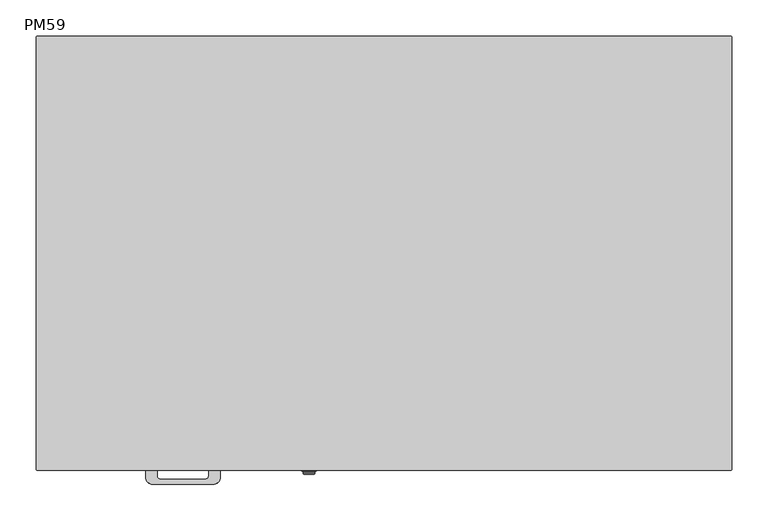
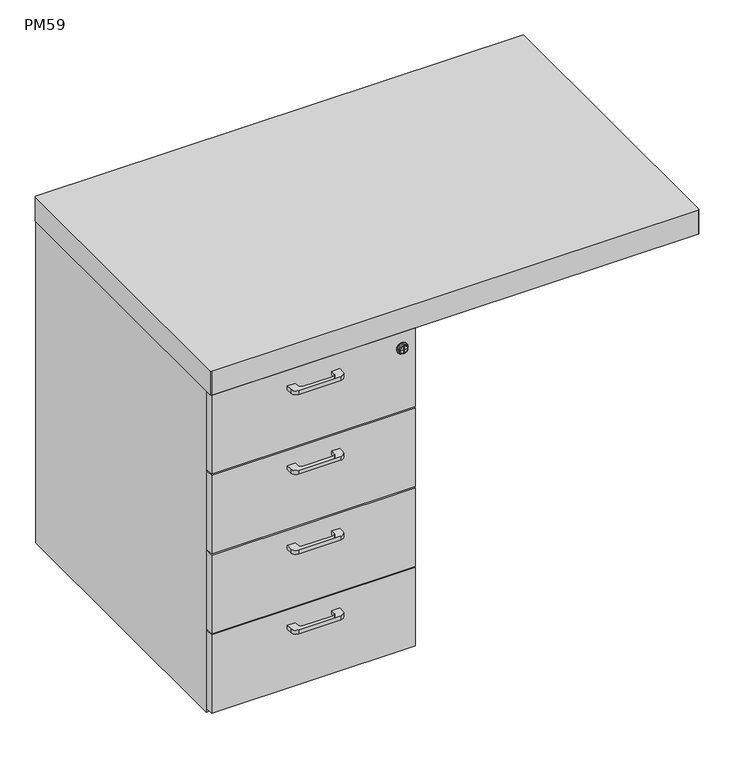
"""IFC4 building model written with IfcOpenShell, lengths in millimetres: furniture geometry, PM59."""

from ifc_helpers import new_model, si_unit, point, frame, frame_2d, origin, place, context, project, spatial, polyline, circle_curve, ellipse_curve, trimmed, segment, composite_curve, outline, extrude, source, transform, mapped, element, save
from ifc_brep_helpers import plane_surface, cylinder_surface, revolved_surface, advanced_brep


def pm59_2cdb2fe1(model_context):
    return source(origin(), model_context, "Body", "SolidModel", [
        advanced_brep(
        [(-128.0, 247.0, 1.0), (-98.0, 247.0, 1.0), (-99.0, 247.0, 0.0), (-127.0, 247.0, 0.0), (-128.0, 247.0, 2.0), (-98.0, 247.0, 2.0), (-129.9260237, 247.0, 2.0), (-96.0739763, 247.0, 2.0), (-130.9234824, 247.0, 3.071247), (-95.0765176, 247.0, 3.071247), (-130.5, 247.0, 9.0), (-95.5, 247.0, 9.0), (-113.0, 247.0, 9.0), (-113.0, 247.0, 0.0)],
        [
            (0, 1, circle_curve(frame((-113.0, 247.0, 1.0), z_axis=(0.0, 0.0, -1.0), x_axis=(1.0, 0.0, 0.0)), 15.0)),
            (1, 2, circle_curve(frame((-99.0, 247.0, 1.0), z_axis=(0.0, 1.0, 0.0), x_axis=(1.0, 0.0, 0.0)), 1.0)),
            (2, 3, circle_curve(frame((-113.0, 247.0, 0.0), z_axis=(0.0, 0.0, 1.0), x_axis=(1.0, 0.0, 0.0)), 14.0)),
            (3, 0, circle_curve(frame((-127.0, 247.0, 1.0), z_axis=(0.0, 1.0, 0.0), x_axis=(-1.0, 0.0, 0.0)), 1.0)),
            (1, 0, circle_curve(frame((-113.0, 247.0, 1.0), z_axis=(0.0, 0.0, -1.0), x_axis=(1.0, 0.0, 0.0)), 15.0)),
            (3, 2, circle_curve(frame((-113.0, 247.0, 0.0), z_axis=(0.0, 0.0, 1.0), x_axis=(1.0, 0.0, 0.0)), 14.0)),
            (4, 5, circle_curve(frame((-113.0, 247.0, 2.0), z_axis=(0.0, 0.0, -1.0), x_axis=(1.0, 0.0, 0.0)), 15.0)),
            (5, 1),
            (0, 4),
            (5, 4, circle_curve(frame((-113.0, 247.0, 2.0), z_axis=(0.0, 0.0, -1.0), x_axis=(1.0, 0.0, 0.0)), 15.0)),
            (6, 7, circle_curve(frame((-113.0, 247.0, 2.0), z_axis=(0.0, 0.0, -1.0), x_axis=(1.0, 0.0, 0.0)), 16.9260237)),
            (7, 5),
            (4, 6),
            (7, 6, circle_curve(frame((-113.0, 247.0, 2.0), z_axis=(0.0, 0.0, -1.0), x_axis=(1.0, 0.0, 0.0)), 16.9260237)),
            (8, 9, circle_curve(frame((-113.0, 247.0, 3.071247), z_axis=(0.0, 0.0, -1.0), x_axis=(1.0, 0.0, 0.0)), 17.9234824)),
            (9, 7, circle_curve(frame((-96.0739763, 247.0, 3.0), z_axis=(0.0, 1.0, 0.0), x_axis=(1.0, 0.0, 0.0)), 1.0)),
            (6, 8, circle_curve(frame((-129.9260237, 247.0, 3.0), z_axis=(0.0, 1.0, 0.0), x_axis=(-1.0, 0.0, 0.0)), 1.0)),
            (9, 8, circle_curve(frame((-113.0, 247.0, 3.071247), z_axis=(0.0, 0.0, -1.0), x_axis=(1.0, 0.0, 0.0)), 17.9234824)),
            (10, 11, circle_curve(frame((-113.0, 247.0, 9.0), z_axis=(0.0, 0.0, -1.0), x_axis=(1.0, 0.0, 0.0)), 17.5)),
            (11, 9),
            (8, 10),
            (11, 10, circle_curve(frame((-113.0, 247.0, 9.0), z_axis=(0.0, 0.0, -1.0), x_axis=(1.0, 0.0, 0.0)), 17.5)),
            (12, 11),
            (10, 12),
            (2, 13),
            (13, 3),
        ],
        [
            revolved_surface(trimmed(ellipse_curve(frame((-99.0, 247.0, 1.0), z_axis=(0.0, -1.0, 0.0), x_axis=(1.0, 0.0, 0.0)), 1.0, 1.0), [point((-99.0, 247.0, 0.0))], [point((-98.0, 247.0, 1.0))], True, "CARTESIAN"), (-113.0, 247.0, 14.0), (0.0, 0.0, 1.0)),
            cylinder_surface(frame((-113.0, 247.0, 14.0), z_axis=(0.0, 0.0, 1.0), x_axis=(1.0, 0.0, 0.0)), 15.0),
            plane_surface(frame((-113.0, 247.0, 2.0), z_axis=(0.0, 0.0, -1.0), x_axis=(1.0, 0.0, 0.0))),
            revolved_surface(trimmed(ellipse_curve(frame((-96.0739763, 247.0, 3.0), z_axis=(0.0, -1.0, 0.0), x_axis=(1.0, 0.0, 0.0)), 1.0, 1.0), [point((-96.0739763, 247.0, 2.0))], [point((-95.0765176, 247.0, 3.071247))], True, "CARTESIAN"), (-113.0, 247.0, 14.0), (0.0, 0.0, 1.0)),
            revolved_surface(polyline([(-95.0765176, 247.0, 3.071247), (-95.5, 247.0, 9.0)]), (-113.0, 247.0, 14.0), (0.0, 0.0, 1.0)),
            plane_surface(frame((-113.0, 247.0, 9.0), z_axis=(0.0, 0.0, 1.0), x_axis=(1.0, 0.0, 0.0))),
            plane_surface(frame((-113.0, 247.0, 0.0), z_axis=(0.0, 0.0, -1.0), x_axis=(1.0, 0.0, 0.0))),
        ],
        [
            (0, [[1, 2, 3, 4]]),
            (0, [[5, -4, 6, -2]]),
            (1, [[7, 8, -1, 9]]),
            (1, [[10, -9, -5, -8]]),
            (2, [[11, 12, -7, 13]]),
            (2, [[14, -13, -10, -12]]),
            (3, [[15, 16, -11, 17]]),
            (3, [[18, -17, -14, -16]]),
            (4, [[19, 20, -15, 21]]),
            (4, [[22, -21, -18, -20]]),
            (5, [[23, -19, 24]]),
            (5, [[-24, -22, -23]]),
            (6, [[-3, 25, 26]]),
            (6, [[-6, -26, -25]]),
        ],
    ),
        extrude(outline(composite_curve([segment(trimmed(circle_curve(frame_2d((-97.0, 263.0)), 1.5), [point((-97.0, 264.5))], [point((-95.5, 263.0))], False, "CARTESIAN"), True, "CONTINUOUS"), segment(polyline([(-95.5, 263.0), (-95.5, 231.0)]), True, "CONTINUOUS"), segment(trimmed(circle_curve(frame_2d((-97.0, 231.0)), 1.5), [point((-95.5, 231.0))], [point((-97.0, 229.5))], False, "CARTESIAN"), True, "CONTINUOUS"), segment(polyline([(-97.0, 229.5), (-129.0, 229.5)]), True, "CONTINUOUS"), segment(trimmed(circle_curve(frame_2d((-129.0, 231.0)), 1.5), [point((-129.0, 229.5))], [point((-130.5, 231.0))], False, "CARTESIAN"), True, "CONTINUOUS"), segment(polyline([(-130.5, 231.0), (-130.5, 263.0)]), True, "CONTINUOUS"), segment(trimmed(circle_curve(frame_2d((-129.0, 263.0)), 1.5), [point((-130.5, 263.0))], [point((-129.0, 264.5))], False, "CARTESIAN"), True, "CONTINUOUS"), segment(polyline([(-129.0, 264.5), (-97.0, 264.5)]), True, "CONTINUOUS")], self_intersect=False)), frame((0.0, 0.0, 9.0), z_axis=(0.0, 0.0, 1.0), x_axis=(1.0, 0.0, 0.0)), (0.0, 0.0, 1.0), 11.0),
        advanced_brep(
        [(-458.0, 247.0, 1.0), (-428.0, 247.0, 1.0), (-429.0, 247.0, 0.0), (-457.0, 247.0, 0.0), (-458.0, 247.0, 2.0), (-428.0, 247.0, 2.0), (-459.9260237, 247.0, 2.0), (-426.0739763, 247.0, 2.0), (-460.9234824, 247.0, 3.071247), (-425.0765176, 247.0, 3.071247), (-460.5, 247.0, 9.0), (-425.5, 247.0, 9.0), (-443.0, 247.0, 9.0), (-443.0, 247.0, 0.0)],
        [
            (0, 1, circle_curve(frame((-443.0, 247.0, 1.0), z_axis=(0.0, 0.0, -1.0), x_axis=(1.0, 0.0, 0.0)), 15.0)),
            (1, 2, circle_curve(frame((-429.0, 247.0, 1.0), z_axis=(0.0, 1.0, 0.0), x_axis=(1.0, 0.0, 0.0)), 1.0)),
            (2, 3, circle_curve(frame((-443.0, 247.0, 0.0), z_axis=(0.0, 0.0, 1.0), x_axis=(1.0, 0.0, 0.0)), 14.0)),
            (3, 0, circle_curve(frame((-457.0, 247.0, 1.0), z_axis=(0.0, 1.0, 0.0), x_axis=(-1.0, 0.0, 0.0)), 1.0)),
            (1, 0, circle_curve(frame((-443.0, 247.0, 1.0), z_axis=(0.0, 0.0, -1.0), x_axis=(1.0, 0.0, 0.0)), 15.0)),
            (3, 2, circle_curve(frame((-443.0, 247.0, 0.0), z_axis=(0.0, 0.0, 1.0), x_axis=(1.0, 0.0, 0.0)), 14.0)),
            (4, 5, circle_curve(frame((-443.0, 247.0, 2.0), z_axis=(0.0, 0.0, -1.0), x_axis=(1.0, 0.0, 0.0)), 15.0)),
            (5, 1),
            (0, 4),
            (5, 4, circle_curve(frame((-443.0, 247.0, 2.0), z_axis=(0.0, 0.0, -1.0), x_axis=(1.0, 0.0, 0.0)), 15.0)),
            (6, 7, circle_curve(frame((-443.0, 247.0, 2.0), z_axis=(0.0, 0.0, -1.0), x_axis=(1.0, 0.0, 0.0)), 16.9260237)),
            (7, 5),
            (4, 6),
            (7, 6, circle_curve(frame((-443.0, 247.0, 2.0), z_axis=(0.0, 0.0, -1.0), x_axis=(1.0, 0.0, 0.0)), 16.9260237)),
            (8, 9, circle_curve(frame((-443.0, 247.0, 3.071247), z_axis=(0.0, 0.0, -1.0), x_axis=(1.0, 0.0, 0.0)), 17.9234824)),
            (9, 7, circle_curve(frame((-426.0739763, 247.0, 3.0), z_axis=(0.0, 1.0, 0.0), x_axis=(1.0, 0.0, 0.0)), 1.0)),
            (6, 8, circle_curve(frame((-459.9260237, 247.0, 3.0), z_axis=(0.0, 1.0, 0.0), x_axis=(-1.0, 0.0, 0.0)), 1.0)),
            (9, 8, circle_curve(frame((-443.0, 247.0, 3.071247), z_axis=(0.0, 0.0, -1.0), x_axis=(1.0, 0.0, 0.0)), 17.9234824)),
            (10, 11, circle_curve(frame((-443.0, 247.0, 9.0), z_axis=(0.0, 0.0, -1.0), x_axis=(1.0, 0.0, 0.0)), 17.5)),
            (11, 9),
            (8, 10),
            (11, 10, circle_curve(frame((-443.0, 247.0, 9.0), z_axis=(0.0, 0.0, -1.0), x_axis=(1.0, 0.0, 0.0)), 17.5)),
            (12, 11),
            (10, 12),
            (2, 13),
            (13, 3),
        ],
        [
            revolved_surface(trimmed(ellipse_curve(frame((-429.0, 247.0, 1.0), z_axis=(0.0, -1.0, 0.0), x_axis=(1.0, 0.0, 0.0)), 1.0, 1.0), [point((-429.0, 247.0, 0.0))], [point((-428.0, 247.0, 1.0))], True, "CARTESIAN"), (-443.0, 247.0, 14.0), (0.0, 0.0, 1.0)),
            cylinder_surface(frame((-443.0, 247.0, 14.0), z_axis=(0.0, 0.0, 1.0), x_axis=(1.0, 0.0, 0.0)), 15.0),
            plane_surface(frame((-443.0, 247.0, 2.0), z_axis=(0.0, 0.0, -1.0), x_axis=(1.0, 0.0, 0.0))),
            revolved_surface(trimmed(ellipse_curve(frame((-426.0739763, 247.0, 3.0), z_axis=(0.0, -1.0, 0.0), x_axis=(1.0, 0.0, 0.0)), 1.0, 1.0), [point((-426.0739763, 247.0, 2.0))], [point((-425.0765176, 247.0, 3.071247))], True, "CARTESIAN"), (-443.0, 247.0, 14.0), (0.0, 0.0, 1.0)),
            revolved_surface(polyline([(-425.0765176, 247.0, 3.071247), (-425.5, 247.0, 9.0)]), (-443.0, 247.0, 14.0), (0.0, 0.0, 1.0)),
            plane_surface(frame((-443.0, 247.0, 9.0), z_axis=(0.0, 0.0, 1.0), x_axis=(1.0, 0.0, 0.0))),
            plane_surface(frame((-443.0, 247.0, 0.0), z_axis=(0.0, 0.0, -1.0), x_axis=(1.0, 0.0, 0.0))),
        ],
        [
            (0, [[1, 2, 3, 4]]),
            (0, [[5, -4, 6, -2]]),
            (1, [[7, 8, -1, 9]]),
            (1, [[10, -9, -5, -8]]),
            (2, [[11, 12, -7, 13]]),
            (2, [[14, -13, -10, -12]]),
            (3, [[15, 16, -11, 17]]),
            (3, [[18, -17, -14, -16]]),
            (4, [[19, 20, -15, 21]]),
            (4, [[22, -21, -18, -20]]),
            (5, [[23, -19, 24]]),
            (5, [[-24, -22, -23]]),
            (6, [[-3, 25, 26]]),
            (6, [[-6, -26, -25]]),
        ],
    ),
        extrude(outline(composite_curve([segment(trimmed(circle_curve(frame_2d((-427.0, 263.0)), 1.5), [point((-427.0, 264.5))], [point((-425.5, 263.0))], False, "CARTESIAN"), True, "CONTINUOUS"), segment(polyline([(-425.5, 263.0), (-425.5, 231.0)]), True, "CONTINUOUS"), segment(trimmed(circle_curve(frame_2d((-427.0, 231.0)), 1.5), [point((-425.5, 231.0))], [point((-427.0, 229.5))], False, "CARTESIAN"), True, "CONTINUOUS"), segment(polyline([(-427.0, 229.5), (-459.0, 229.5)]), True, "CONTINUOUS"), segment(trimmed(circle_curve(frame_2d((-459.0, 231.0)), 1.5), [point((-459.0, 229.5))], [point((-460.5, 231.0))], False, "CARTESIAN"), True, "CONTINUOUS"), segment(polyline([(-460.5, 231.0), (-460.5, 263.0)]), True, "CONTINUOUS"), segment(trimmed(circle_curve(frame_2d((-459.0, 263.0)), 1.5), [point((-460.5, 263.0))], [point((-459.0, 264.5))], False, "CARTESIAN"), True, "CONTINUOUS"), segment(polyline([(-459.0, 264.5), (-427.0, 264.5)]), True, "CONTINUOUS")], self_intersect=False)), frame((0.0, 0.0, 9.0), z_axis=(0.0, 0.0, 1.0), x_axis=(1.0, 0.0, 0.0)), (0.0, 0.0, 1.0), 11.0),
        advanced_brep(
        [(-128.0, -235.0, 1.0), (-98.0, -235.0, 1.0), (-99.0, -235.0, 0.0), (-127.0, -235.0, 0.0), (-128.0, -235.0, 2.0), (-98.0, -235.0, 2.0), (-129.9260237, -235.0, 2.0), (-96.0739763, -235.0, 2.0), (-130.9234824, -235.0, 3.071247), (-95.0765176, -235.0, 3.071247), (-130.5, -235.0, 9.0), (-95.5, -235.0, 9.0), (-113.0, -235.0, 9.0), (-113.0, -235.0, 0.0)],
        [
            (0, 1, circle_curve(frame((-113.0, -235.0, 1.0), z_axis=(0.0, 0.0, -1.0), x_axis=(1.0, 0.0, 0.0)), 15.0)),
            (1, 2, circle_curve(frame((-99.0, -235.0, 1.0), z_axis=(0.0, 1.0, 0.0), x_axis=(1.0, 0.0, 0.0)), 1.0)),
            (2, 3, circle_curve(frame((-113.0, -235.0, 0.0), z_axis=(0.0, 0.0, 1.0), x_axis=(1.0, 0.0, 0.0)), 14.0)),
            (3, 0, circle_curve(frame((-127.0, -235.0, 1.0), z_axis=(0.0, 1.0, 0.0), x_axis=(-1.0, 0.0, 0.0)), 1.0)),
            (1, 0, circle_curve(frame((-113.0, -235.0, 1.0), z_axis=(0.0, 0.0, -1.0), x_axis=(1.0, 0.0, 0.0)), 15.0)),
            (3, 2, circle_curve(frame((-113.0, -235.0, 0.0), z_axis=(0.0, 0.0, 1.0), x_axis=(1.0, 0.0, 0.0)), 14.0)),
            (4, 5, circle_curve(frame((-113.0, -235.0, 2.0), z_axis=(0.0, 0.0, -1.0), x_axis=(1.0, 0.0, 0.0)), 15.0)),
            (5, 1),
            (0, 4),
            (5, 4, circle_curve(frame((-113.0, -235.0, 2.0), z_axis=(0.0, 0.0, -1.0), x_axis=(1.0, 0.0, 0.0)), 15.0)),
            (6, 7, circle_curve(frame((-113.0, -235.0, 2.0), z_axis=(0.0, 0.0, -1.0), x_axis=(1.0, 0.0, 0.0)), 16.9260237)),
            (7, 5),
            (4, 6),
            (7, 6, circle_curve(frame((-113.0, -235.0, 2.0), z_axis=(0.0, 0.0, -1.0), x_axis=(1.0, 0.0, 0.0)), 16.9260237)),
            (8, 9, circle_curve(frame((-113.0, -235.0, 3.071247), z_axis=(0.0, 0.0, -1.0), x_axis=(1.0, 0.0, 0.0)), 17.9234824)),
            (9, 7, circle_curve(frame((-96.0739763, -235.0, 3.0), z_axis=(0.0, 1.0, 0.0), x_axis=(1.0, 0.0, 0.0)), 1.0)),
            (6, 8, circle_curve(frame((-129.9260237, -235.0, 3.0), z_axis=(0.0, 1.0, 0.0), x_axis=(-1.0, 0.0, 0.0)), 1.0)),
            (9, 8, circle_curve(frame((-113.0, -235.0, 3.071247), z_axis=(0.0, 0.0, -1.0), x_axis=(1.0, 0.0, 0.0)), 17.9234824)),
            (10, 11, circle_curve(frame((-113.0, -235.0, 9.0), z_axis=(0.0, 0.0, -1.0), x_axis=(1.0, 0.0, 0.0)), 17.5)),
            (11, 9),
            (8, 10),
            (11, 10, circle_curve(frame((-113.0, -235.0, 9.0), z_axis=(0.0, 0.0, -1.0), x_axis=(1.0, 0.0, 0.0)), 17.5)),
            (12, 11),
            (10, 12),
            (2, 13),
            (13, 3),
        ],
        [
            revolved_surface(trimmed(ellipse_curve(frame((-99.0, -235.0, 1.0), z_axis=(0.0, -1.0, 0.0), x_axis=(1.0, 0.0, 0.0)), 1.0, 1.0), [point((-99.0, -235.0, 0.0))], [point((-98.0, -235.0, 1.0))], True, "CARTESIAN"), (-113.0, -235.0, 14.0), (0.0, 0.0, 1.0)),
            cylinder_surface(frame((-113.0, -235.0, 14.0), z_axis=(0.0, 0.0, 1.0), x_axis=(1.0, 0.0, 0.0)), 15.0),
            plane_surface(frame((-113.0, -235.0, 2.0), z_axis=(0.0, 0.0, -1.0), x_axis=(1.0, 0.0, 0.0))),
            revolved_surface(trimmed(ellipse_curve(frame((-96.0739763, -235.0, 3.0), z_axis=(0.0, -1.0, 0.0), x_axis=(1.0, 0.0, 0.0)), 1.0, 1.0), [point((-96.0739763, -235.0, 2.0))], [point((-95.0765176, -235.0, 3.071247))], True, "CARTESIAN"), (-113.0, -235.0, 14.0), (0.0, 0.0, 1.0)),
            revolved_surface(polyline([(-95.0765176, -235.0, 3.071247), (-95.5, -235.0, 9.0)]), (-113.0, -235.0, 14.0), (0.0, 0.0, 1.0)),
            plane_surface(frame((-113.0, -235.0, 9.0), z_axis=(0.0, 0.0, 1.0), x_axis=(1.0, 0.0, 0.0))),
            plane_surface(frame((-113.0, -235.0, 0.0), z_axis=(0.0, 0.0, -1.0), x_axis=(1.0, 0.0, 0.0))),
        ],
        [
            (0, [[1, 2, 3, 4]]),
            (0, [[5, -4, 6, -2]]),
            (1, [[7, 8, -1, 9]]),
            (1, [[10, -9, -5, -8]]),
            (2, [[11, 12, -7, 13]]),
            (2, [[14, -13, -10, -12]]),
            (3, [[15, 16, -11, 17]]),
            (3, [[18, -17, -14, -16]]),
            (4, [[19, 20, -15, 21]]),
            (4, [[22, -21, -18, -20]]),
            (5, [[23, -19, 24]]),
            (5, [[-24, -22, -23]]),
            (6, [[-3, 25, 26]]),
            (6, [[-6, -26, -25]]),
        ],
    ),
        extrude(outline(composite_curve([segment(trimmed(circle_curve(frame_2d((-97.0, -219.0)), 1.5), [point((-97.0, -217.5))], [point((-95.5, -219.0))], False, "CARTESIAN"), True, "CONTINUOUS"), segment(polyline([(-95.5, -219.0), (-95.5, -251.0)]), True, "CONTINUOUS"), segment(trimmed(circle_curve(frame_2d((-97.0, -251.0)), 1.5), [point((-95.5, -251.0))], [point((-97.0, -252.5))], False, "CARTESIAN"), True, "CONTINUOUS"), segment(polyline([(-97.0, -252.5), (-129.0, -252.5)]), True, "CONTINUOUS"), segment(trimmed(circle_curve(frame_2d((-129.0, -251.0)), 1.5), [point((-129.0, -252.5))], [point((-130.5, -251.0))], False, "CARTESIAN"), True, "CONTINUOUS"), segment(polyline([(-130.5, -251.0), (-130.5, -219.0)]), True, "CONTINUOUS"), segment(trimmed(circle_curve(frame_2d((-129.0, -219.0)), 1.5), [point((-130.5, -219.0))], [point((-129.0, -217.5))], False, "CARTESIAN"), True, "CONTINUOUS"), segment(polyline([(-129.0, -217.5), (-97.0, -217.5)]), True, "CONTINUOUS")], self_intersect=False)), frame((0.0, 0.0, 9.0), z_axis=(0.0, 0.0, 1.0), x_axis=(1.0, 0.0, 0.0)), (0.0, 0.0, 1.0), 11.0),
        advanced_brep(
        [(-458.0, -235.0, 1.0), (-428.0, -235.0, 1.0), (-429.0, -235.0, 0.0), (-457.0, -235.0, 0.0), (-458.0, -235.0, 2.0), (-428.0, -235.0, 2.0), (-459.9260237, -235.0, 2.0), (-426.0739763, -235.0, 2.0), (-460.9234824, -235.0, 3.071247), (-425.0765176, -235.0, 3.071247), (-460.5, -235.0, 9.0), (-425.5, -235.0, 9.0), (-443.0, -235.0, 9.0), (-443.0, -235.0, 0.0)],
        [
            (0, 1, circle_curve(frame((-443.0, -235.0, 1.0), z_axis=(0.0, 0.0, -1.0), x_axis=(1.0, 0.0, 0.0)), 15.0)),
            (1, 2, circle_curve(frame((-429.0, -235.0, 1.0), z_axis=(0.0, 1.0, 0.0), x_axis=(1.0, 0.0, 0.0)), 1.0)),
            (2, 3, circle_curve(frame((-443.0, -235.0, 0.0), z_axis=(0.0, 0.0, 1.0), x_axis=(1.0, 0.0, 0.0)), 14.0)),
            (3, 0, circle_curve(frame((-457.0, -235.0, 1.0), z_axis=(0.0, 1.0, 0.0), x_axis=(-1.0, 0.0, 0.0)), 1.0)),
            (1, 0, circle_curve(frame((-443.0, -235.0, 1.0), z_axis=(0.0, 0.0, -1.0), x_axis=(1.0, 0.0, 0.0)), 15.0)),
            (3, 2, circle_curve(frame((-443.0, -235.0, 0.0), z_axis=(0.0, 0.0, 1.0), x_axis=(1.0, 0.0, 0.0)), 14.0)),
            (4, 5, circle_curve(frame((-443.0, -235.0, 2.0), z_axis=(0.0, 0.0, -1.0), x_axis=(1.0, 0.0, 0.0)), 15.0)),
            (5, 1),
            (0, 4),
            (5, 4, circle_curve(frame((-443.0, -235.0, 2.0), z_axis=(0.0, 0.0, -1.0), x_axis=(1.0, 0.0, 0.0)), 15.0)),
            (6, 7, circle_curve(frame((-443.0, -235.0, 2.0), z_axis=(0.0, 0.0, -1.0), x_axis=(1.0, 0.0, 0.0)), 16.9260237)),
            (7, 5),
            (4, 6),
            (7, 6, circle_curve(frame((-443.0, -235.0, 2.0), z_axis=(0.0, 0.0, -1.0), x_axis=(1.0, 0.0, 0.0)), 16.9260237)),
            (8, 9, circle_curve(frame((-443.0, -235.0, 3.071247), z_axis=(0.0, 0.0, -1.0), x_axis=(1.0, 0.0, 0.0)), 17.9234824)),
            (9, 7, circle_curve(frame((-426.0739763, -235.0, 3.0), z_axis=(0.0, 1.0, 0.0), x_axis=(1.0, 0.0, 0.0)), 1.0)),
            (6, 8, circle_curve(frame((-459.9260237, -235.0, 3.0), z_axis=(0.0, 1.0, 0.0), x_axis=(-1.0, 0.0, 0.0)), 1.0)),
            (9, 8, circle_curve(frame((-443.0, -235.0, 3.071247), z_axis=(0.0, 0.0, -1.0), x_axis=(1.0, 0.0, 0.0)), 17.9234824)),
            (10, 11, circle_curve(frame((-443.0, -235.0, 9.0), z_axis=(0.0, 0.0, -1.0), x_axis=(1.0, 0.0, 0.0)), 17.5)),
            (11, 9),
            (8, 10),
            (11, 10, circle_curve(frame((-443.0, -235.0, 9.0), z_axis=(0.0, 0.0, -1.0), x_axis=(1.0, 0.0, 0.0)), 17.5)),
            (12, 11),
            (10, 12),
            (2, 13),
            (13, 3),
        ],
        [
            revolved_surface(trimmed(ellipse_curve(frame((-429.0, -235.0, 1.0), z_axis=(0.0, -1.0, 0.0), x_axis=(1.0, 0.0, 0.0)), 1.0, 1.0), [point((-429.0, -235.0, 0.0))], [point((-428.0, -235.0, 1.0))], True, "CARTESIAN"), (-443.0, -235.0, 14.0), (0.0, 0.0, 1.0)),
            cylinder_surface(frame((-443.0, -235.0, 14.0), z_axis=(0.0, 0.0, 1.0), x_axis=(1.0, 0.0, 0.0)), 15.0),
            plane_surface(frame((-443.0, -235.0, 2.0), z_axis=(0.0, 0.0, -1.0), x_axis=(1.0, 0.0, 0.0))),
            revolved_surface(trimmed(ellipse_curve(frame((-426.0739763, -235.0, 3.0), z_axis=(0.0, -1.0, 0.0), x_axis=(1.0, 0.0, 0.0)), 1.0, 1.0), [point((-426.0739763, -235.0, 2.0))], [point((-425.0765176, -235.0, 3.071247))], True, "CARTESIAN"), (-443.0, -235.0, 14.0), (0.0, 0.0, 1.0)),
            revolved_surface(polyline([(-425.0765176, -235.0, 3.071247), (-425.5, -235.0, 9.0)]), (-443.0, -235.0, 14.0), (0.0, 0.0, 1.0)),
            plane_surface(frame((-443.0, -235.0, 9.0), z_axis=(0.0, 0.0, 1.0), x_axis=(1.0, 0.0, 0.0))),
            plane_surface(frame((-443.0, -235.0, 0.0), z_axis=(0.0, 0.0, -1.0), x_axis=(1.0, 0.0, 0.0))),
        ],
        [
            (0, [[1, 2, 3, 4]]),
            (0, [[5, -4, 6, -2]]),
            (1, [[7, 8, -1, 9]]),
            (1, [[10, -9, -5, -8]]),
            (2, [[11, 12, -7, 13]]),
            (2, [[14, -13, -10, -12]]),
            (3, [[15, 16, -11, 17]]),
            (3, [[18, -17, -14, -16]]),
            (4, [[19, 20, -15, 21]]),
            (4, [[22, -21, -18, -20]]),
            (5, [[23, -19, 24]]),
            (5, [[-24, -22, -23]]),
            (6, [[-3, 25, 26]]),
            (6, [[-6, -26, -25]]),
        ],
    ),
        extrude(outline(composite_curve([segment(trimmed(circle_curve(frame_2d((-427.0, -219.0)), 1.5), [point((-427.0, -217.5))], [point((-425.5, -219.0))], False, "CARTESIAN"), True, "CONTINUOUS"), segment(polyline([(-425.5, -219.0), (-425.5, -251.0)]), True, "CONTINUOUS"), segment(trimmed(circle_curve(frame_2d((-427.0, -251.0)), 1.5), [point((-425.5, -251.0))], [point((-427.0, -252.5))], False, "CARTESIAN"), True, "CONTINUOUS"), segment(polyline([(-427.0, -252.5), (-459.0, -252.5)]), True, "CONTINUOUS"), segment(trimmed(circle_curve(frame_2d((-459.0, -251.0)), 1.5), [point((-459.0, -252.5))], [point((-460.5, -251.0))], False, "CARTESIAN"), True, "CONTINUOUS"), segment(polyline([(-460.5, -251.0), (-460.5, -219.0)]), True, "CONTINUOUS"), segment(trimmed(circle_curve(frame_2d((-459.0, -219.0)), 1.5), [point((-460.5, -219.0))], [point((-459.0, -217.5))], False, "CARTESIAN"), True, "CONTINUOUS"), segment(polyline([(-459.0, -217.5), (-427.0, -217.5)]), True, "CONTINUOUS")], self_intersect=False)), frame((0.0, 0.0, 9.0), z_axis=(0.0, 0.0, 1.0), x_axis=(1.0, 0.0, 0.0)), (0.0, 0.0, 1.0), 11.0),
        extrude(outline(composite_curve([segment(polyline([(-313.0, -298.0), (-313.0, -307.0)]), True, "CONTINUOUS"), segment(trimmed(circle_curve(frame_2d((-308.0, -307.0)), 5.0), [point((-313.0, -307.0))], [point((-308.0, -312.0))], True, "CARTESIAN"), True, "CONTINUOUS"), segment(polyline([(-308.0, -312.0), (-247.0, -312.0)]), True, "CONTINUOUS"), segment(trimmed(circle_curve(frame_2d((-247.0, -307.0)), 5.0), [point((-247.0, -312.0))], [point((-242.0, -307.0))], True, "CARTESIAN"), True, "CONTINUOUS"), segment(polyline([(-242.0, -307.0), (-242.0, -298.0), (-226.0, -298.0), (-226.0, -309.0)]), True, "CONTINUOUS"), segment(trimmed(circle_curve(frame_2d((-236.0, -309.0)), 10.0), [point((-226.0, -309.0))], [point((-236.0, -319.0))], False, "CARTESIAN"), True, "CONTINUOUS"), segment(polyline([(-236.0, -319.0), (-319.0, -319.0)]), True, "CONTINUOUS"), segment(trimmed(circle_curve(frame_2d((-319.0, -309.0)), 10.0), [point((-319.0, -319.0))], [point((-329.0, -309.0))], False, "CARTESIAN"), True, "CONTINUOUS"), segment(polyline([(-329.0, -309.0), (-329.0, -298.0), (-313.0, -298.0)]), True, "CONTINUOUS")], self_intersect=False)), frame((0.0, 0.0, 149.5), z_axis=(0.0, 0.0, 1.0), x_axis=(1.0, 0.0, 0.0)), (0.0, 0.0, 1.0), 8.0),
        extrude(outline(composite_curve([segment(polyline([(-313.0, -298.0), (-313.0, -307.0)]), True, "CONTINUOUS"), segment(trimmed(circle_curve(frame_2d((-308.0, -307.0)), 5.0), [point((-313.0, -307.0))], [point((-308.0, -312.0))], True, "CARTESIAN"), True, "CONTINUOUS"), segment(polyline([(-308.0, -312.0), (-247.0, -312.0)]), True, "CONTINUOUS"), segment(trimmed(circle_curve(frame_2d((-247.0, -307.0)), 5.0), [point((-247.0, -312.0))], [point((-242.0, -307.0))], True, "CARTESIAN"), True, "CONTINUOUS"), segment(polyline([(-242.0, -307.0), (-242.0, -298.0), (-226.0, -298.0), (-226.0, -309.0)]), True, "CONTINUOUS"), segment(trimmed(circle_curve(frame_2d((-236.0, -309.0)), 10.0), [point((-226.0, -309.0))], [point((-236.0, -319.0))], False, "CARTESIAN"), True, "CONTINUOUS"), segment(polyline([(-236.0, -319.0), (-319.0, -319.0)]), True, "CONTINUOUS"), segment(trimmed(circle_curve(frame_2d((-319.0, -309.0)), 10.0), [point((-319.0, -319.0))], [point((-329.0, -309.0))], False, "CARTESIAN"), True, "CONTINUOUS"), segment(polyline([(-329.0, -309.0), (-329.0, -298.0), (-313.0, -298.0)]), True, "CONTINUOUS")], self_intersect=False)), frame((0.0, 0.0, 315.5), z_axis=(0.0, 0.0, 1.0), x_axis=(1.0, 0.0, 0.0)), (0.0, 0.0, 1.0), 8.0),
        extrude(outline(composite_curve([segment(polyline([(-313.0, -298.0), (-313.0, -307.0)]), True, "CONTINUOUS"), segment(trimmed(circle_curve(frame_2d((-308.0, -307.0)), 5.0), [point((-313.0, -307.0))], [point((-308.0, -312.0))], True, "CARTESIAN"), True, "CONTINUOUS"), segment(polyline([(-308.0, -312.0), (-247.0, -312.0)]), True, "CONTINUOUS"), segment(trimmed(circle_curve(frame_2d((-247.0, -307.0)), 5.0), [point((-247.0, -312.0))], [point((-242.0, -307.0))], True, "CARTESIAN"), True, "CONTINUOUS"), segment(polyline([(-242.0, -307.0), (-242.0, -298.0), (-226.0, -298.0), (-226.0, -309.0)]), True, "CONTINUOUS"), segment(trimmed(circle_curve(frame_2d((-236.0, -309.0)), 10.0), [point((-226.0, -309.0))], [point((-236.0, -319.0))], False, "CARTESIAN"), True, "CONTINUOUS"), segment(polyline([(-236.0, -319.0), (-319.0, -319.0)]), True, "CONTINUOUS"), segment(trimmed(circle_curve(frame_2d((-319.0, -309.0)), 10.0), [point((-319.0, -319.0))], [point((-329.0, -309.0))], False, "CARTESIAN"), True, "CONTINUOUS"), segment(polyline([(-329.0, -309.0), (-329.0, -298.0), (-313.0, -298.0)]), True, "CONTINUOUS")], self_intersect=False)), frame((0.0, 0.0, 481.5), z_axis=(0.0, 0.0, 1.0), x_axis=(1.0, 0.0, 0.0)), (0.0, 0.0, 1.0), 8.0),
        extrude(outline(composite_curve([segment(polyline([(-313.0, -298.0), (-313.0, -307.0)]), True, "CONTINUOUS"), segment(trimmed(circle_curve(frame_2d((-308.0, -307.0)), 5.0), [point((-313.0, -307.0))], [point((-308.0, -312.0))], True, "CARTESIAN"), True, "CONTINUOUS"), segment(polyline([(-308.0, -312.0), (-247.0, -312.0)]), True, "CONTINUOUS"), segment(trimmed(circle_curve(frame_2d((-247.0, -307.0)), 5.0), [point((-247.0, -312.0))], [point((-242.0, -307.0))], True, "CARTESIAN"), True, "CONTINUOUS"), segment(polyline([(-242.0, -307.0), (-242.0, -298.0), (-226.0, -298.0), (-226.0, -309.0)]), True, "CONTINUOUS"), segment(trimmed(circle_curve(frame_2d((-236.0, -309.0)), 10.0), [point((-226.0, -309.0))], [point((-236.0, -319.0))], False, "CARTESIAN"), True, "CONTINUOUS"), segment(polyline([(-236.0, -319.0), (-319.0, -319.0)]), True, "CONTINUOUS"), segment(trimmed(circle_curve(frame_2d((-319.0, -309.0)), 10.0), [point((-319.0, -319.0))], [point((-329.0, -309.0))], False, "CARTESIAN"), True, "CONTINUOUS"), segment(polyline([(-329.0, -309.0), (-329.0, -298.0), (-313.0, -298.0)]), True, "CONTINUOUS")], self_intersect=False)), frame((0.0, 0.0, 647.5), z_axis=(0.0, 0.0, 1.0), x_axis=(1.0, 0.0, 0.0)), (0.0, 0.0, 1.0), 8.0),
        advanced_brep(
        [(-103.5, -298.0, 656.0), (-92.5, -298.0, 656.0), (-114.5, -298.0, 656.0), (-110.5, -305.0, 656.0), (-96.5, -305.0, 656.0), (-102.0, -305.0, 656.0), (-102.0, -305.0, 649.5), (-105.0, -305.0, 649.5), (-105.0, -305.0, 656.0), (-105.0, -305.0, 662.5), (-102.0, -305.0, 662.5), (-111.5, -304.0, 656.0), (-95.5, -304.0, 656.0), (-111.5, -300.0, 656.0), (-95.5, -300.0, 656.0), (-112.5, -300.0, 656.0), (-94.5, -300.0, 656.0), (-112.5, -301.0, 656.0), (-94.5, -301.0, 656.0), (-113.9472136, -300.2763932, 656.0), (-93.0527864, -300.2763932, 656.0), (-114.5, -299.381966, 656.0), (-92.5, -299.381966, 656.0), (-102.0, -301.0, 662.5), (-105.0, -301.0, 662.5), (-105.0, -301.0, 649.5), (-102.0, -301.0, 649.5)],
        [
            (0, 1),
            (1, 2, circle_curve(frame((-103.5, -298.0, 656.0), z_axis=(0.0, 1.0, 0.0), x_axis=(1.0, 0.0, 0.0)), 11.0)),
            (2, 0),
            (2, 1, circle_curve(frame((-103.5, -298.0, 656.0), z_axis=(0.0, 1.0, 0.0), x_axis=(1.0, 0.0, 0.0)), 11.0)),
            (3, 4, circle_curve(frame((-103.5, -305.0, 656.0), z_axis=(0.0, -1.0, 0.0), x_axis=(1.0, 0.0, 0.0)), 7.0)),
            (4, 5),
            (5, 6),
            (6, 7),
            (7, 8),
            (8, 3),
            (4, 3, circle_curve(frame((-103.5, -305.0, 656.0), z_axis=(0.0, -1.0, 0.0), x_axis=(1.0, 0.0, 0.0)), 7.0)),
            (8, 9),
            (9, 10),
            (10, 5),
            (3, 11, circle_curve(frame((-110.5, -304.0, 656.0), z_axis=(0.0, 0.0, -1.0), x_axis=(-1.0, 0.0, 0.0)), 1.0)),
            (11, 12, circle_curve(frame((-103.5, -304.0, 656.0), z_axis=(0.0, -1.0, 0.0), x_axis=(1.0, 0.0, 0.0)), 8.0)),
            (12, 4, circle_curve(frame((-96.5, -304.0, 656.0), z_axis=(0.0, 0.0, -1.0), x_axis=(1.0, 0.0, 0.0)), 1.0)),
            (12, 11, circle_curve(frame((-103.5, -304.0, 656.0), z_axis=(0.0, -1.0, 0.0), x_axis=(1.0, 0.0, 0.0)), 8.0)),
            (11, 13),
            (13, 14, circle_curve(frame((-103.5, -300.0, 656.0), z_axis=(0.0, -1.0, 0.0), x_axis=(1.0, 0.0, 0.0)), 8.0)),
            (14, 12),
            (14, 13, circle_curve(frame((-103.5, -300.0, 656.0), z_axis=(0.0, -1.0, 0.0), x_axis=(1.0, 0.0, 0.0)), 8.0)),
            (13, 15),
            (15, 16, circle_curve(frame((-103.5, -300.0, 656.0), z_axis=(0.0, -1.0, 0.0), x_axis=(1.0, 0.0, 0.0)), 9.0)),
            (16, 14),
            (16, 15, circle_curve(frame((-103.5, -300.0, 656.0), z_axis=(0.0, -1.0, 0.0), x_axis=(1.0, 0.0, 0.0)), 9.0)),
            (15, 17),
            (17, 18, circle_curve(frame((-103.5, -301.0, 656.0), z_axis=(0.0, -1.0, 0.0), x_axis=(1.0, 0.0, 0.0)), 9.0)),
            (18, 16),
            (18, 17, circle_curve(frame((-103.5, -301.0, 656.0), z_axis=(0.0, -1.0, 0.0), x_axis=(1.0, 0.0, 0.0)), 9.0)),
            (17, 19),
            (19, 20, circle_curve(frame((-103.5, -300.2763932, 656.0), z_axis=(0.0, -1.0, 0.0), x_axis=(1.0, 0.0, 0.0)), 10.4472136)),
            (20, 18),
            (20, 19, circle_curve(frame((-103.5, -300.2763932, 656.0), z_axis=(0.0, -1.0, 0.0), x_axis=(1.0, 0.0, 0.0)), 10.4472136)),
            (19, 21, circle_curve(frame((-113.5, -299.381966, 656.0), z_axis=(0.0, 0.0, -1.0), x_axis=(-1.0, 0.0, 0.0)), 1.0)),
            (21, 22, circle_curve(frame((-103.5, -299.381966, 656.0), z_axis=(0.0, -1.0, 0.0), x_axis=(1.0, 0.0, 0.0)), 11.0)),
            (22, 20, circle_curve(frame((-93.5, -299.381966, 656.0), z_axis=(0.0, 0.0, -1.0), x_axis=(1.0, 0.0, 0.0)), 1.0)),
            (22, 21, circle_curve(frame((-103.5, -299.381966, 656.0), z_axis=(0.0, -1.0, 0.0), x_axis=(1.0, 0.0, 0.0)), 11.0)),
            (1, 22),
            (21, 2),
            (23, 24),
            (24, 25),
            (25, 26),
            (26, 23),
            (23, 10),
            (9, 24),
            (7, 25),
            (6, 26),
        ],
        [
            plane_surface(frame((-103.5, -298.0, 656.0), z_axis=(0.0, 1.0, 0.0), x_axis=(1.0, 0.0, 0.0))),
            plane_surface(frame((-103.5, -305.0, 656.0), z_axis=(0.0, -1.0, 0.0), x_axis=(1.0, 0.0, 0.0))),
            revolved_surface(trimmed(ellipse_curve(frame((-96.5, -304.0, 656.0), z_axis=(0.0, 0.0, 1.0), x_axis=(1.0, 0.0, 0.0)), 1.0, 1.0), [point((-96.5, -305.0, 656.0))], [point((-95.5, -304.0, 656.0))], True, "CARTESIAN"), (-103.5, 1184.5791904, 656.0), (0.0, 1.0, 0.0)),
            cylinder_surface(frame((-103.5, 1184.5791904, 656.0), z_axis=(0.0, 1.0, 0.0), x_axis=(1.0, 0.0, 0.0)), 8.0),
            plane_surface(frame((-103.5, -300.0, 656.0), z_axis=(0.0, -1.0, 0.0), x_axis=(1.0, 0.0, 0.0))),
            revolved_surface(polyline([(-94.5, -300.0, 656.0), (-94.5, -301.0, 656.0)]), (-103.5, 1184.5791904, 656.0), (0.0, 1.0, 0.0)),
            revolved_surface(polyline([(-94.5, -301.0, 656.0), (-93.0527864, -300.2763932, 656.0)]), (-103.5, 1184.5791904, 656.0), (0.0, 1.0, 0.0)),
            revolved_surface(trimmed(ellipse_curve(frame((-93.5, -299.381966, 656.0), z_axis=(0.0, 0.0, 1.0), x_axis=(1.0, 0.0, 0.0)), 1.0, 1.0), [point((-93.0527864, -300.2763932, 656.0))], [point((-92.5, -299.381966, 656.0))], True, "CARTESIAN"), (-103.5, 1184.5791904, 656.0), (0.0, 1.0, 0.0)),
            cylinder_surface(frame((-103.5, 1184.5791904, 656.0), z_axis=(0.0, 1.0, 0.0), x_axis=(1.0, 0.0, 0.0)), 11.0),
            plane_surface(frame((-105.0, -301.0, 662.5), z_axis=(0.0, -1.0, 0.0), x_axis=(1.0, 0.0, 0.0))),
            plane_surface(frame((-102.0, -305.0, 662.5), z_axis=(0.0, 0.0, -1.0), x_axis=(0.0, 1.0, 0.0))),
            plane_surface(frame((-105.0, -305.0, 662.5), z_axis=(1.0, 0.0, 0.0), x_axis=(0.0, 1.0, 0.0))),
            plane_surface(frame((-105.0, -305.0, 649.5), z_axis=(0.0, 0.0, 1.0), x_axis=(0.0, 1.0, 0.0))),
            plane_surface(frame((-102.0, -305.0, 649.5), z_axis=(-1.0, 0.0, 0.0), x_axis=(0.0, 1.0, 0.0))),
        ],
        [
            (0, [[1, 2, 3]]),
            (0, [[-1, -3, 4]]),
            (1, [[5, 6, 7, 8, 9, 10]]),
            (1, [[11, -10, 12, 13, 14, -6]]),
            (2, [[-5, 15, 16, 17]]),
            (2, [[-11, -17, 18, -15]]),
            (3, [[-16, 19, 20, 21]]),
            (3, [[-18, -21, 22, -19]]),
            (4, [[-20, 23, 24, 25]]),
            (4, [[-22, -25, 26, -23]]),
            (5, [[-24, 27, 28, 29]]),
            (5, [[-26, -29, 30, -27]]),
            (6, [[-28, 31, 32, 33]]),
            (6, [[-30, -33, 34, -31]]),
            (7, [[-32, 35, 36, 37]]),
            (7, [[-34, -37, 38, -35]]),
            (8, [[-2, 39, -36, 40]]),
            (8, [[-4, -40, -38, -39]]),
            (9, [[41, 42, 43, 44]]),
            (10, [[-41, 45, -13, 46]]),
            (11, [[-42, -46, -12, -9, 47]]),
            (12, [[-43, -47, -8, 48]]),
            (13, [[-44, -48, -7, -14, -45]]),
        ],
    ),
        extrude(outline(polyline([(-95.0, 285.0), (-95.0, -282.0), (-460.0, -282.0), (-460.0, 285.0), (-95.0, 285.0)])), frame((0.0, 0.0, 20.0), z_axis=(0.0, 0.0, 1.0), x_axis=(1.0, 0.0, 0.0)), (0.0, 0.0, 1.0), 14.0),
        extrude(outline(polyline([(-95.0, 299.0), (-95.0, 285.0), (-460.0, 285.0), (-460.0, 299.0), (-95.0, 299.0)])), frame((0.0, 0.0, 20.0), z_axis=(0.0, 0.0, 1.0), x_axis=(1.0, 0.0, 0.0)), (0.0, 0.0, 1.0), 670.0),
        extrude(outline(polyline([(-77.0, -298.0), (-478.0, -298.0), (-478.0, -282.0), (-77.0, -282.0), (-77.0, -298.0)])), frame((0.0, 0.0, 26.5), z_axis=(0.0, 0.0, 1.0), x_axis=(1.0, 0.0, 0.0)), (0.0, 0.0, 1.0), 163.0),
        extrude(outline(polyline([(-77.0, -298.0), (-478.0, -298.0), (-478.0, -282.0), (-77.0, -282.0), (-77.0, -298.0)])), frame((0.0, 0.0, 192.5), z_axis=(0.0, 0.0, 1.0), x_axis=(1.0, 0.0, 0.0)), (0.0, 0.0, 1.0), 163.0),
        extrude(outline(polyline([(-77.0, -298.0), (-478.0, -298.0), (-478.0, -282.0), (-77.0, -282.0), (-77.0, -298.0)])), frame((0.0, 0.0, 358.5), z_axis=(0.0, 0.0, 1.0), x_axis=(1.0, 0.0, 0.0)), (0.0, 0.0, 1.0), 163.0),
        extrude(outline(polyline([(-77.0, -298.0), (-478.0, -298.0), (-478.0, -282.0), (-77.0, -282.0), (-77.0, -298.0)])), frame((0.0, 0.0, 524.5), z_axis=(0.0, 0.0, 1.0), x_axis=(1.0, 0.0, 0.0)), (0.0, 0.0, 1.0), 163.0),
        extrude(outline(polyline([(-460.0, 299.0), (-460.0, -282.0), (-479.0, -282.0), (-479.0, 299.0), (-460.0, 299.0)])), frame((0.0, 0.0, 20.0), z_axis=(0.0, 0.0, 1.0), x_axis=(1.0, 0.0, 0.0)), (0.0, 0.0, 1.0), 670.0),
        extrude(outline(polyline([(-95.0, 299.0), (-76.0, 299.0), (-76.0, -282.0), (-95.0, -282.0), (-95.0, 299.0)])), frame((0.0, 0.0, 20.0), z_axis=(0.0, 0.0, 1.0), x_axis=(1.0, 0.0, 0.0)), (0.0, 0.0, 1.0), 670.0),
        advanced_brep(
        [(478.0, 300.0, 740.0), (-478.0, 300.0, 740.0), (-480.0, 298.0, 740.0), (-480.0, -298.0, 740.0), (-478.0, -300.0, 740.0), (478.0, -300.0, 740.0), (480.0, -298.0, 740.0), (480.0, 298.0, 740.0), (478.0, 300.0, 690.0), (480.0, 298.0, 690.0), (480.0, -298.0, 690.0), (478.0, -300.0, 690.0), (-478.0, -300.0, 690.0), (-480.0, -298.0, 690.0), (-480.0, 298.0, 690.0), (-478.0, 300.0, 690.0), (461.0, 281.0, 690.0), (-461.0, 281.0, 690.0), (-461.0, -281.0, 690.0), (461.0, -281.0, 690.0), (461.0, 281.0, 721.0), (461.0, -281.0, 721.0), (-461.0, -281.0, 721.0), (-461.0, 281.0, 721.0)],
        [
            (0, 1),
            (1, 2, circle_curve(frame((-478.0, 298.0, 740.0), z_axis=(0.0, 0.0, 1.0), x_axis=(0.0, -1.0, 0.0)), 2.0)),
            (2, 3),
            (3, 4, circle_curve(frame((-478.0, -298.0, 740.0), z_axis=(0.0, 0.0, 1.0), x_axis=(0.0, -1.0, 0.0)), 2.0)),
            (4, 5),
            (5, 6, circle_curve(frame((478.0, -298.0, 740.0), z_axis=(0.0, 0.0, 1.0), x_axis=(0.0, -1.0, 0.0)), 2.0)),
            (6, 7),
            (7, 0, circle_curve(frame((478.0, 298.0, 740.0), z_axis=(0.0, 0.0, 1.0), x_axis=(0.0, -1.0, 0.0)), 2.0)),
            (8, 9, circle_curve(frame((478.0, 298.0, 690.0), z_axis=(0.0, 0.0, -1.0), x_axis=(0.0, -1.0, 0.0)), 2.0)),
            (9, 10),
            (10, 11, circle_curve(frame((478.0, -298.0, 690.0), z_axis=(0.0, 0.0, -1.0), x_axis=(0.0, -1.0, 0.0)), 2.0)),
            (11, 12),
            (12, 13, circle_curve(frame((-478.0, -298.0, 690.0), z_axis=(0.0, 0.0, -1.0), x_axis=(0.0, -1.0, 0.0)), 2.0)),
            (13, 14),
            (14, 15, circle_curve(frame((-478.0, 298.0, 690.0), z_axis=(0.0, 0.0, -1.0), x_axis=(0.0, -1.0, 0.0)), 2.0)),
            (15, 8),
            (16, 17),
            (17, 18),
            (18, 19),
            (19, 16),
            (0, 8),
            (15, 1),
            (2, 14),
            (13, 3),
            (4, 12),
            (11, 5),
            (6, 10),
            (9, 7),
            (20, 21),
            (21, 22),
            (22, 23),
            (23, 20),
            (23, 17),
            (16, 20),
            (22, 18),
            (21, 19),
        ],
        [
            plane_surface(frame((-478.0, 300.0, 740.0), z_axis=(0.0, 0.0, 1.0), x_axis=(-1.0, 0.0, 0.0))),
            plane_surface(frame((-478.0, 300.0, 690.0), z_axis=(0.0, 0.0, -1.0), x_axis=(1.0, 0.0, 0.0))),
            plane_surface(frame((478.0, 300.0, 740.0), z_axis=(0.0, 1.0, 0.0), x_axis=(0.0, 0.0, -1.0))),
            plane_surface(frame((-480.0, 298.0, 740.0), z_axis=(-1.0, 0.0, 0.0), x_axis=(0.0, 0.0, -1.0))),
            plane_surface(frame((-478.0, -300.0, 740.0), z_axis=(0.0, -1.0, 0.0), x_axis=(0.0, 0.0, -1.0))),
            plane_surface(frame((480.0, -298.0, 740.0), z_axis=(1.0, 0.0, 0.0), x_axis=(0.0, 0.0, -1.0))),
            cylinder_surface(frame((-478.0, 298.0, 690.0), z_axis=(0.0, 0.0, 1.0), x_axis=(0.0, -1.0, 0.0)), 2.0),
            cylinder_surface(frame((-478.0, -298.0, 690.0), z_axis=(0.0, 0.0, 1.0), x_axis=(0.0, -1.0, 0.0)), 2.0),
            cylinder_surface(frame((478.0, -298.0, 690.0), z_axis=(0.0, 0.0, 1.0), x_axis=(0.0, -1.0, 0.0)), 2.0),
            cylinder_surface(frame((478.0, 298.0, 690.0), z_axis=(0.0, 0.0, 1.0), x_axis=(0.0, -1.0, 0.0)), 2.0),
            plane_surface(frame((-461.0, 281.0, 721.0), z_axis=(0.0, 0.0, -1.0), x_axis=(-1.0, 0.0, 0.0))),
            plane_surface(frame((461.0, 281.0, 721.0), z_axis=(0.0, -1.0, 0.0), x_axis=(0.0, 0.0, -1.0))),
            plane_surface(frame((-461.0, 281.0, 721.0), z_axis=(1.0, 0.0, 0.0), x_axis=(0.0, 0.0, -1.0))),
            plane_surface(frame((-461.0, -281.0, 721.0), z_axis=(0.0, 1.0, 0.0), x_axis=(0.0, 0.0, -1.0))),
            plane_surface(frame((461.0, -281.0, 721.0), z_axis=(-1.0, 0.0, 0.0), x_axis=(0.0, 0.0, -1.0))),
        ],
        [
            (0, [[1, 2, 3, 4, 5, 6, 7, 8]]),
            (1, [[9, 10, 11, 12, 13, 14, 15, 16], [17, 18, 19, 20]]),
            (2, [[-1, 21, -16, 22]]),
            (3, [[-3, 23, -14, 24]]),
            (4, [[-5, 25, -12, 26]]),
            (5, [[-7, 27, -10, 28]]),
            (6, [[-2, -22, -15, -23]]),
            (7, [[-4, -24, -13, -25]]),
            (8, [[-6, -26, -11, -27]]),
            (9, [[-8, -28, -9, -21]]),
            (10, [[29, 30, 31, 32]]),
            (11, [[-32, 33, -17, 34]]),
            (12, [[-31, 35, -18, -33]]),
            (13, [[-30, 36, -19, -35]]),
            (14, [[-29, -34, -20, -36]]),
        ],
    ),
    ])


if __name__ == "__main__":
    model = new_model("IFC4")
    model_context = context("Model", 3, world=origin())
    ifc_project = project(units=[si_unit("LENGTHUNIT", "METRE", prefix="MILLI")], contexts=[model_context])
    site = spatial("IfcSite", under=ifc_project)
    building = spatial("IfcBuilding", under=site)
    placement = place(None, origin())
    pm59_shape = pm59_2cdb2fe1(model_context)
    element("IfcFurniture", 1, ObjectType="PM59", at=placement, inside=building, context=model_context, shape_type="MappedRepresentation", body=[
        mapped(pm59_shape, transform((0.0, 0.0, 0.0), x_axis=(1.0, 0.0, 0.0), y_axis=(0.0, 1.0, 0.0), z_axis=(0.0, 0.0, 1.0))),
    ])
    save(model, "model.ifc")
